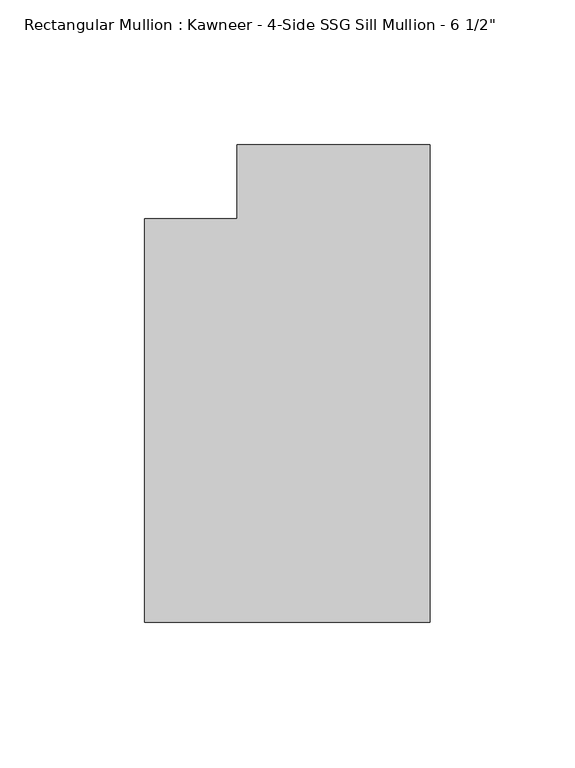
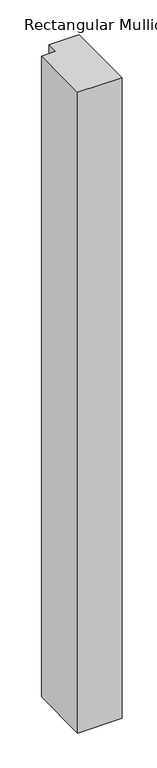
"""IFC4 building model written with IfcOpenShell, lengths in millimetres: member geometry."""

from ifc_helpers import new_model, si_unit, frame, origin, place, context, project, spatial, polyline, outline, extrude, source, transform, mapped, element, save


def member_55e6e7ce(model_context):
    return source(origin(), model_context, "Body", "SweptSolid", [
        extrude(outline(polyline([(0.0, -151.892), (-98.425, -151.892), (-98.425, -12.7), (-66.6751132, -12.7), (-66.6751132, 12.7), (0.0, 12.7), (0.0, -151.892)])), frame((0.0, 0.0, -1498.3171389), z_axis=(0.0, 0.0, 1.0), x_axis=(1.0, 0.0, 0.0)), (0.0, 0.0, 1.0), 1498.3171389),
    ])


if __name__ == "__main__":
    model = new_model("IFC4")
    model_context = context("Model", 3, world=origin())
    ifc_project = project(units=[si_unit("LENGTHUNIT", "METRE", prefix="MILLI")], contexts=[model_context])
    site = spatial("IfcSite", under=ifc_project)
    building = spatial("IfcBuilding", under=site)
    placement = place(None, origin())
    member_shape = member_55e6e7ce(model_context)
    element("IfcMember", 1, ObjectType="Rectangular Mullion : Kawneer - 4-Side SSG Sill Mullion - 6 1/2\"", at=placement, inside=building, context=model_context, shape_type="MappedRepresentation", body=[
        mapped(member_shape, transform((0.0, 0.0, 0.0), x_axis=(1.0, 0.0, 0.0), y_axis=(0.0, 1.0, 0.0), z_axis=(0.0, 0.0, 1.0))),
    ])
    save(model, "model.ifc")
